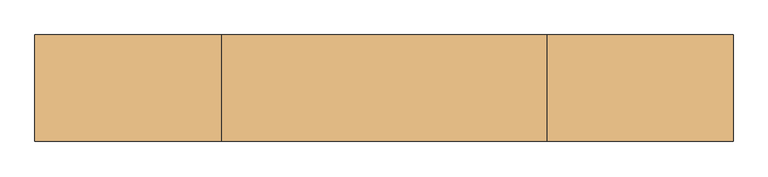
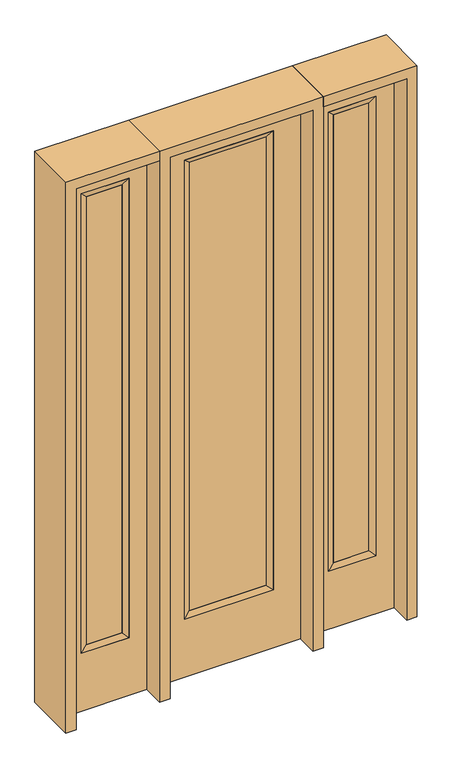
"""IFC4 building model written with IfcOpenShell, lengths in millimetres: door geometry."""

from ifc_helpers import new_model, si_unit, frame, origin, place, context, project, spatial, polyline, outline, extrude, faceted_brep, source, transform, mapped, element, save


def door_f22a2162(model_context):
    return source(origin(), model_context, "Body", "SolidModel", [
        extrude(outline(polyline([(163.9824, -12.7039749), (-163.9824, -12.7039749), (-163.9824, 14.2875), (163.9824, 14.2875), (163.9824, -12.7039749)])), frame((0.0, 0.0, 285.75), z_axis=(0.0, 0.0, 1.0), x_axis=(1.0, 0.0, 0.0)), (0.0, 0.0, 1.0), 2019.3),
        faceted_brep([(163.9824, 14.2875, 2305.05), (189.3824, 22.225, 2330.45), (189.3824, 22.225, 260.35), (163.9824, 14.2875, 285.75), (189.3824, -22.225, 2330.45), (189.3824, -22.225, 260.35), (-189.3824, 22.225, 260.35), (-163.9824, 14.2875, 285.75), (163.9824, -12.7039749, 2305.05), (163.9824, -12.7039749, 285.75), (-163.9824, -12.7039749, 285.75), (-189.3824, -22.225, 260.35), (-189.3824, 22.225, 2330.45), (-163.9824, 14.2875, 2305.05), (-163.9824, -12.7039749, 2305.05), (-189.3824, -22.225, 2330.45)], [[[0, 1, 2, 3]], [[1, 4, 5, 2]], [[3, 2, 6, 7]], [[8, 0, 3, 9]], [[9, 3, 7, 10]], [[4, 8, 9, 5]], [[5, 9, 10, 11]], [[2, 5, 11, 6]], [[7, 6, 12, 13]], [[10, 7, 13, 14]], [[11, 10, 14, 15]], [[6, 11, 15, 12]], [[13, 12, 1, 0]], [[14, 13, 0, 8]], [[15, 14, 8, 4]], [[12, 15, 4, 1]]]),
        extrude(outline(polyline([(0.0, -304.8), (0.0, 304.8), (2438.4, 304.8), (2438.4, -304.8), (0.0, -304.8)]), holes=[polyline([(260.35, -189.3824), (2330.45, -189.3824), (2330.45, 189.3824), (260.35, 189.3824), (260.35, -189.3824)])]), frame((0.0, -22.225, 0.0), z_axis=(0.0, 1.0, 0.0), x_axis=(0.0, 0.0, 1.0)), (0.0, 0.0, 1.0), 44.45),
        faceted_brep([(425.45, 20.6375, 2330.45), (425.45, 20.6375, 260.35), (425.45, -20.6375, 260.35), (425.45, -20.6375, 2330.45), (450.85, -12.7, 285.75), (450.85, -12.7, 2305.05), (628.65, 20.6375, 260.35), (628.65, -20.6375, 260.35), (450.85, 12.7, 2305.05), (450.85, 12.7, 285.75), (603.25, 12.7, 285.75), (603.25, -12.7, 285.75), (628.65, 20.6375, 2330.45), (628.65, -20.6375, 2330.45), (603.25, 12.7, 2305.05), (603.25, -12.7, 2305.05)], [[[0, 1, 2, 3]], [[3, 2, 4, 5]], [[1, 6, 7, 2]], [[8, 9, 1, 0]], [[9, 10, 6, 1]], [[5, 4, 9, 8]], [[4, 11, 10, 9]], [[2, 7, 11, 4]], [[6, 12, 13, 7]], [[10, 14, 12, 6]], [[11, 15, 14, 10]], [[7, 13, 15, 11]], [[12, 0, 3, 13]], [[14, 8, 0, 12]], [[15, 5, 8, 14]], [[13, 3, 5, 15]]]),
        extrude(outline(polyline([(0.0, 704.85), (2438.4, 704.85), (2438.4, 349.25), (0.0, 349.25), (0.0, 704.85)]), holes=[polyline([(2330.45, 425.45), (2330.45, 628.65), (260.35, 628.65), (260.35, 425.45), (2330.45, 425.45)])]), frame((0.0, -20.6375, 0.0), z_axis=(0.0, 1.0, 0.0), x_axis=(0.0, 0.0, 1.0)), (0.0, 0.0, 1.0), 41.275),
        extrude(outline(polyline([(450.85, -12.7), (450.85, 12.7), (603.25, 12.7), (603.25, -12.7), (450.85, -12.7)])), frame((0.0, 0.0, 284.95625), z_axis=(0.0, 0.0, 1.0), x_axis=(1.0, 0.0, 0.0)), (0.0, 0.0, 1.0), 2020.09375),
        faceted_brep([(-425.45, 20.6375, 2330.45), (-425.45, -20.6375, 2330.45), (-425.45, -20.6375, 260.35), (-425.45, 20.6375, 260.35), (-450.85, -12.7, 2305.05), (-450.85, -12.7, 285.75), (-628.65, -20.6375, 260.35), (-628.65, 20.6375, 260.35), (-450.85, 12.7, 2305.05), (-450.85, 12.7, 285.75), (-603.25, 12.7, 285.75), (-603.25, -12.7, 285.75), (-628.65, -20.6375, 2330.45), (-628.65, 20.6375, 2330.45), (-603.25, 12.7, 2305.05), (-603.25, -12.7, 2305.05)], [[[0, 1, 2, 3]], [[1, 4, 5, 2]], [[3, 2, 6, 7]], [[8, 0, 3, 9]], [[9, 3, 7, 10]], [[4, 8, 9, 5]], [[5, 9, 10, 11]], [[2, 5, 11, 6]], [[7, 6, 12, 13]], [[10, 7, 13, 14]], [[11, 10, 14, 15]], [[6, 11, 15, 12]], [[13, 12, 1, 0]], [[14, 13, 0, 8]], [[15, 14, 8, 4]], [[12, 15, 4, 1]]]),
        extrude(outline(polyline([(0.0, -704.85), (0.0, -349.25), (2438.4, -349.25), (2438.4, -704.85), (0.0, -704.85)]), holes=[polyline([(2330.45, -425.45), (260.35, -425.45), (260.35, -628.65), (2330.45, -628.65), (2330.45, -425.45)])]), frame((0.0, -20.6375, 0.0), z_axis=(0.0, 1.0, 0.0), x_axis=(0.0, 0.0, 1.0)), (0.0, 0.0, 1.0), 41.275),
        extrude(outline(polyline([(-450.85, -12.7), (-603.25, -12.7), (-603.25, 12.7), (-450.85, 12.7), (-450.85, -12.7)])), frame((0.0, 0.0, 284.95625), z_axis=(0.0, 0.0, 1.0), x_axis=(1.0, 0.0, 0.0)), (0.0, 0.0, 1.0), 2020.09375),
        extrude(outline(polyline([(2438.4, -349.25), (2482.85, -349.25), (2482.85, -749.3), (0.0, -749.3), (0.0, -704.85), (2438.4, -704.85), (2438.4, -349.25)])), frame((0.0, -114.3, 0.0), z_axis=(0.0, 1.0, 0.0), x_axis=(0.0, 0.0, 1.0)), (0.0, 0.0, 1.0), 228.6),
        extrude(outline(polyline([(2482.85, -349.25), (0.0, -349.25), (0.0, -304.8), (2438.4, -304.8), (2438.4, 304.8), (0.0, 304.8), (0.0, 349.25), (2482.85, 349.25), (2482.85, -349.25)])), frame((0.0, -114.3, 0.0), z_axis=(0.0, 1.0, 0.0), x_axis=(0.0, 0.0, 1.0)), (0.0, 0.0, 1.0), 228.6),
        extrude(outline(polyline([(0.0, 704.85), (0.0, 749.3), (2482.85, 749.3), (2482.85, 349.25), (2438.4, 349.25), (2438.4, 704.85), (0.0, 704.85)])), frame((0.0, -114.3, 0.0), z_axis=(0.0, 1.0, 0.0), x_axis=(0.0, 0.0, 1.0)), (0.0, 0.0, 1.0), 228.6),
    ])


if __name__ == "__main__":
    model = new_model("IFC4")
    model_context = context("Model", 3, world=origin())
    ifc_project = project(units=[si_unit("LENGTHUNIT", "METRE", prefix="MILLI")], contexts=[model_context])
    site = spatial("IfcSite", under=ifc_project)
    building = spatial("IfcBuilding", under=site)
    placement = place(None, origin())
    door_shape = door_f22a2162(model_context)
    element("IfcDoor", 1, at=placement, inside=building, context=model_context, shape_type="MappedRepresentation", body=[
        mapped(door_shape, transform((0.0, 0.0, 0.0), x_axis=(1.0, 0.0, 0.0), y_axis=(0.0, 1.0, 0.0), z_axis=(0.0, 0.0, 1.0))),
    ])
    save(model, "model.ifc")
